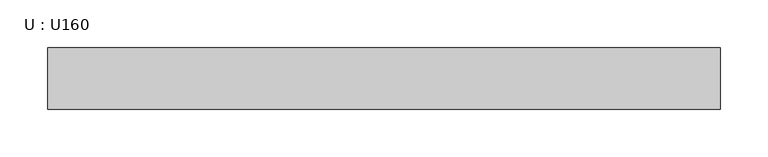
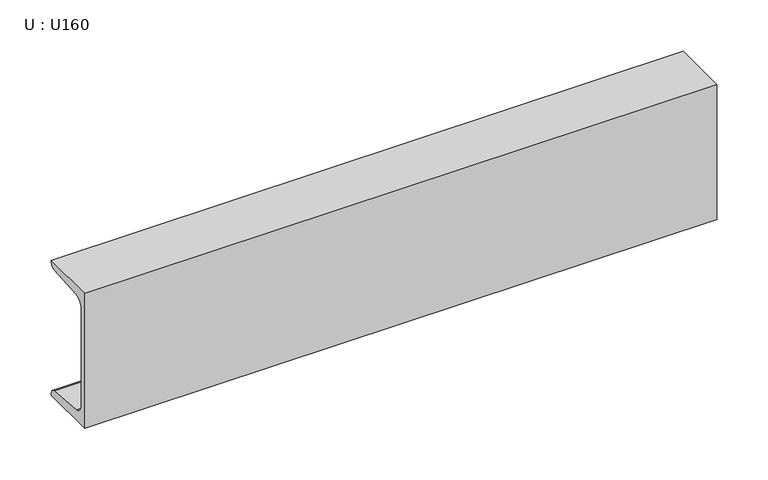
"""IFC4 building model written with IfcOpenShell, lengths in millimetres: beam geometry, U : U160."""

from ifc_helpers import new_model, si_unit, point, frame, frame_2d, origin, place, context, project, spatial, polyline, circle_curve, trimmed, segment, composite_curve, outline, extrude, source, transform, mapped, element, save


def u_u160_1680ad91(model_context):
    return source(origin(), model_context, "Body", "SweptSolid", [
        extrude(outline(composite_curve([segment(polyline([(-18.4, 80.0), (46.6, 80.0), (46.6, 77.1756821)]), True, "CONTINUOUS"), segment(trimmed(circle_curve(frame_2d((41.1, 77.1756821)), 5.5), [point((46.6, 77.1756821))], [point((41.5382235, 71.693168))], False, "CARTESIAN"), True, "CONTINUOUS"), segment(polyline([(41.5382235, 71.693168), (-1.2366085, 68.2741277)]), True, "CONTINUOUS"), segment(trimmed(circle_curve(frame_2d((-0.4, 57.8075099)), 10.5), [point((-1.2366085, 68.2741277))], [point((-10.9, 57.8075099))], True, "CARTESIAN"), True, "CONTINUOUS"), segment(polyline([(-10.9, 57.8075099), (-10.9, -57.8075099)]), True, "CONTINUOUS"), segment(trimmed(circle_curve(frame_2d((-0.4, -57.8075099)), 10.5), [point((-10.9, -57.8075099))], [point((-1.2366085, -68.2741277))], True, "CARTESIAN"), True, "CONTINUOUS"), segment(polyline([(-1.2366085, -68.2741277), (41.5382235, -71.693168)]), True, "CONTINUOUS"), segment(trimmed(circle_curve(frame_2d((41.1, -77.1756821)), 5.5), [point((41.5382235, -71.693168))], [point((46.6, -77.1756821))], False, "CARTESIAN"), True, "CONTINUOUS"), segment(polyline([(46.6, -77.1756821), (46.6, -80.0), (-18.4, -80.0), (-18.4, 80.0)]), True, "CONTINUOUS")], self_intersect=False)), frame((-354.0, 0.0, 0.0), z_axis=(1.0, 0.0, 0.0), x_axis=(0.0, 1.0, 0.0)), (0.0, 0.0, 1.0), 708.0),
    ])


if __name__ == "__main__":
    model = new_model("IFC4")
    model_context = context("Model", 3, world=origin())
    ifc_project = project(units=[si_unit("LENGTHUNIT", "METRE", prefix="MILLI")], contexts=[model_context])
    site = spatial("IfcSite", under=ifc_project)
    building = spatial("IfcBuilding", under=site)
    placement = place(None, origin())
    u_u160_shape = u_u160_1680ad91(model_context)
    element("IfcBeam", 1, ObjectType="U : U160", at=placement, inside=building, context=model_context, shape_type="MappedRepresentation", body=[
        mapped(u_u160_shape, transform((0.0, 0.0, 0.0), x_axis=(1.0, 0.0, 0.0), y_axis=(0.0, 1.0, 0.0), z_axis=(0.0, 0.0, 1.0))),
    ])
    save(model, "model.ifc")
